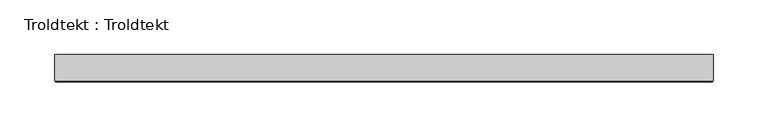
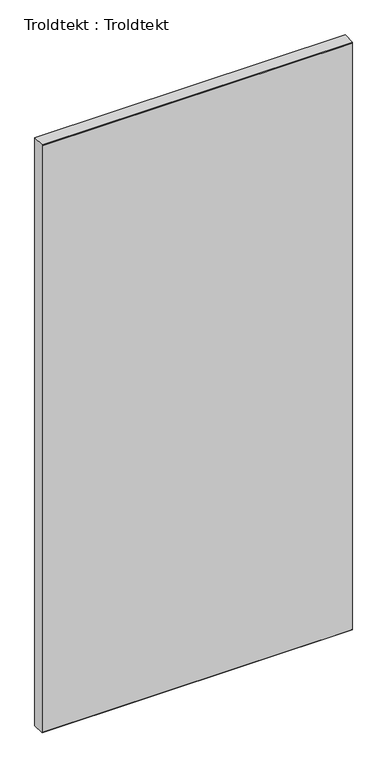
"""IFC4 building model written with IfcOpenShell, lengths in millimetres: proxy geometry, Troldtekt : Troldtekt."""

from ifc_helpers import new_model, si_unit, origin, place, context, project, spatial, faceted_brep, source, transform, mapped, element, save


def troldtekt_troldtekt_2cd042d2(model_context):
    return source(origin(), model_context, "Body", "Brep", [
        faceted_brep([(-300.0, 12.5, 1200.0), (-300.0, -11.495044, 1200.0), (300.0, -11.495044, 1200.0), (300.0, 12.5, 1200.0), (300.0, 12.5, 0.0), (300.0, -11.495044, 0.0), (-300.0, -11.495044, 0.0), (-300.0, 12.5, 0.0), (-298.995044, -12.5, 1.004956), (298.995044, -12.5, 1.004956), (298.995044, -12.5, 1198.995044), (-298.995044, -12.5, 1198.995044)], [[[0, 1, 2, 3]], [[4, 5, 6, 7]], [[8, 9, 10, 11]], [[7, 6, 1, 0]], [[3, 4, 7, 0]], [[3, 2, 5, 4]], [[8, 11, 1, 6]], [[6, 5, 9, 8]], [[5, 2, 10, 9]], [[2, 1, 11, 10]]]),
    ])


if __name__ == "__main__":
    model = new_model("IFC4")
    model_context = context("Model", 3, world=origin())
    ifc_project = project(units=[si_unit("LENGTHUNIT", "METRE", prefix="MILLI")], contexts=[model_context])
    site = spatial("IfcSite", under=ifc_project)
    building = spatial("IfcBuilding", under=site)
    placement = place(None, origin())
    troldtekt_troldtekt_shape = troldtekt_troldtekt_2cd042d2(model_context)
    element("IfcBuildingElementProxy", 1, Name="Troldtekt : Troldtekt", ObjectType="Troldtekt : Troldtekt", at=placement, inside=building, context=model_context, shape_type="MappedRepresentation", body=[
        mapped(troldtekt_troldtekt_shape, transform((0.0, 0.0, 0.0), x_axis=(1.0, 0.0, 0.0), y_axis=(0.0, 1.0, 0.0), z_axis=(0.0, 0.0, 1.0))),
    ])
    save(model, "model.ifc")
